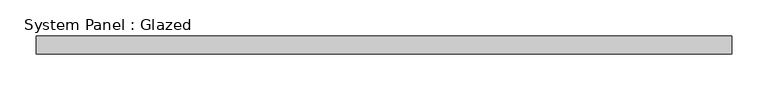
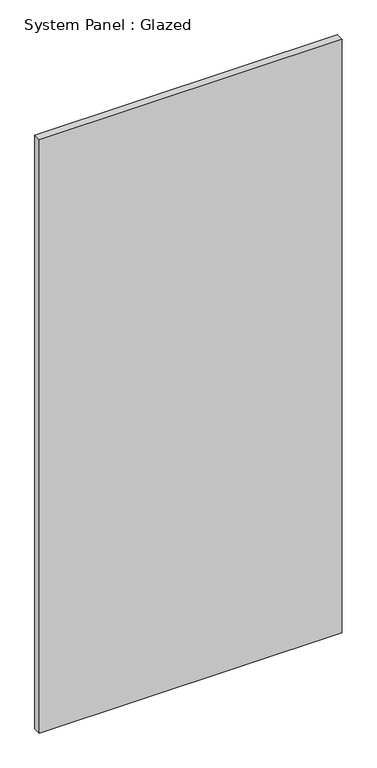
"""IFC4 building model written with IfcOpenShell, lengths in millimetres: plate geometry, System Panel : Glazed."""

from ifc_helpers import new_model, si_unit, origin, origin_with_axes, place, context, project, spatial, polyline, outline, extrude, source, transform, mapped, element, save


def system_panel_glazed_8bb80a2e(model_context):
    return source(origin(), model_context, "Body", "SweptSolid", [
        extrude(outline(polyline([(482.7078395, 24.5), (-482.7078395, 24.5), (-482.7078395, 49.5), (482.7078395, 49.5), (482.7078395, 24.5)])), origin_with_axes(), (0.0, 0.0, 1.0), 2000.0),
    ])


if __name__ == "__main__":
    model = new_model("IFC4")
    model_context = context("Model", 3, world=origin())
    ifc_project = project(units=[si_unit("LENGTHUNIT", "METRE", prefix="MILLI")], contexts=[model_context])
    site = spatial("IfcSite", under=ifc_project)
    building = spatial("IfcBuilding", under=site)
    placement = place(None, origin())
    system_panel_glazed_shape = system_panel_glazed_8bb80a2e(model_context)
    element("IfcPlate", 1, ObjectType="System Panel : Glazed", at=placement, inside=building, context=model_context, shape_type="MappedRepresentation", body=[
        mapped(system_panel_glazed_shape, transform((0.0, 0.0, 0.0), x_axis=(1.0, 0.0, 0.0), y_axis=(0.0, 1.0, 0.0), z_axis=(0.0, 0.0, 1.0))),
    ])
    save(model, "model.ifc")
